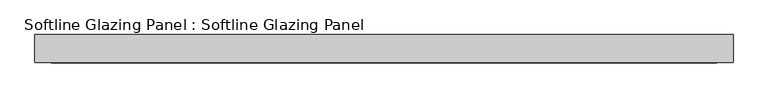
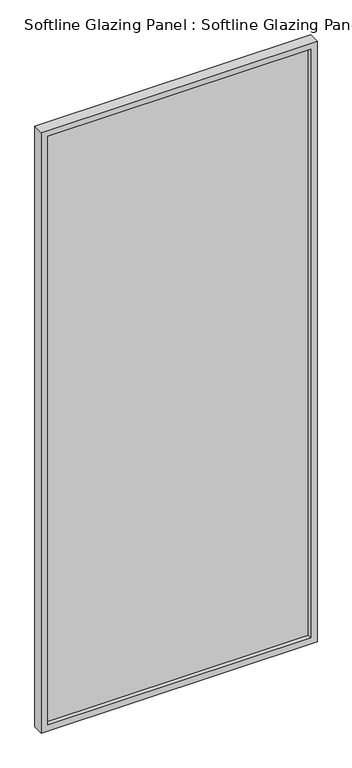
"""IFC4 building model written with IfcOpenShell, lengths in millimetres: plate geometry, Softline Glazing Panel : Softline Glazing Panel."""

import ifcopenshell
import ifcopenshell.guid

model = None  # the IFC model being written
_history = None  # IfcOwnerHistory: only IFC2X3 demands one
_inside = {}  # id of a spatial element -> (the spatial element, [elements in it])
_under = {}  # id of a project, library or spatial element -> (it, [spatial elements below it])
_declared = {}  # id of a project -> (the project, [libraries it declares])
_typed = {}  # id of a type object -> (the type object, [elements of that type])
_made_of = {}  # id of a material, layer set ... -> (it, [elements and type objects made of it])


def new_model(schema):
    """Start an empty IFC model of exactly this schema.

    Asked for "IFC4X3", IfcOpenShell would pick the latest addendum, in which some entities
    have other attributes; the version numbers below select the first issue.
    IFC2X3 requires an IfcOwnerHistory on every rooted entity: one is made here for all.
    """
    global model, _history
    if schema == "IFC4X3":
        model = ifcopenshell.file(schema_version=(4, 3, 0, 0))
    else:
        model = ifcopenshell.file(schema=schema)
    _inside.clear()
    _under.clear()
    _declared.clear()
    _typed.clear()
    _made_of.clear()
    _history = None
    if model.schema == "IFC2X3":
        org = make("IfcOrganization", Name="unknown")
        user = make(
            "IfcPersonAndOrganization",
            ThePerson=make("IfcPerson", FamilyName="unknown"),
            TheOrganization=org,
        )
        app = make(
            "IfcApplication",
            ApplicationDeveloper=org,
            Version="unknown",
            ApplicationFullName="unknown",
            ApplicationIdentifier="unknown",
        )
        _history = make(
            "IfcOwnerHistory",
            OwningUser=user,
            OwningApplication=app,
            ChangeAction="ADDED",
            CreationDate=0,
        )
    return model


def make(cls, **values):
    """One entity of the class cls with the attributes given. An attribute that is None is left unset."""
    return model.create_entity(
        cls, **{name: value for name, value in values.items() if value is not None}
    )


def rooted(cls, **values):
    """An entity with a GlobalId (a new one), such as an element, a storey or a relation."""
    return make(cls, GlobalId=ifcopenshell.guid.new(), OwnerHistory=_history, **values)


def si_unit(unit_type, name, prefix=None):
    """IfcSIUnit, for example si_unit("LENGTHUNIT", "METRE", prefix="MILLI")."""
    return make("IfcSIUnit", UnitType=unit_type, Prefix=prefix, Name=name)


def assignment(units):
    """IfcUnitAssignment: the units of a project."""
    return None if units is None else make("IfcUnitAssignment", Units=units)


def point(xyz):
    """IfcCartesianPoint."""
    return None if xyz is None else make("IfcCartesianPoint", Coordinates=xyz)


def direction(xyz):
    """IfcDirection."""
    return None if xyz is None else make("IfcDirection", DirectionRatios=xyz)


def frame(location, z_axis=None, x_axis=None):
    """IfcAxis2Placement3D, a coordinate frame: its origin and axes. An axis left out is left unset."""
    return make(
        "IfcAxis2Placement3D",
        Location=point(location),
        Axis=direction(z_axis),
        RefDirection=direction(x_axis),
    )


def origin():
    """The frame at (0, 0, 0) with its axes left unset."""
    return frame((0.0, 0.0, 0.0))


def place(relative_to, where):
    """IfcLocalPlacement: puts the frame where relative to a parent placement (None: the world)."""
    return make(
        "IfcLocalPlacement", PlacementRelTo=relative_to, RelativePlacement=where
    )


def context(
    kind, dimensions, precision=None, world=None, true_north=None, identifier=None
):
    """IfcGeometricRepresentationContext, for example the 3D "Model" context."""
    return make(
        "IfcGeometricRepresentationContext",
        ContextIdentifier=identifier,
        ContextType=kind,
        CoordinateSpaceDimension=dimensions,
        Precision=precision,
        WorldCoordinateSystem=world,
        TrueNorth=true_north,
    )


def project(units=None, contexts=None):
    """IfcProject with its units and contexts."""
    return rooted(
        "IfcProject",
        Name="project",
        RepresentationContexts=contexts,
        UnitsInContext=assignment(units),
    )


def spatial(cls, under=None, at=None, **own):
    """A site, building, storey or space (cls), placed at a placement, below another one or the project."""
    s = rooted(cls, ObjectPlacement=at, **own)
    if under is not None:
        _under.setdefault(under.id(), (under, []))[1].append(s)
    return s


def polyline(points):
    """IfcPolyline through the points."""
    return make("IfcPolyline", Points=[point(p) for p in points])


def outline(outer, holes=None, kind="AREA"):
    """IfcArbitraryClosedProfileDef: a profile drawn as a closed curve; with holes, ...WithVoids."""
    if holes is None:
        return make("IfcArbitraryClosedProfileDef", ProfileType=kind, OuterCurve=outer)
    return make(
        "IfcArbitraryProfileDefWithVoids",
        ProfileType=kind,
        OuterCurve=outer,
        InnerCurves=holes,
    )


def extrude(swept, where, along, depth):
    """IfcExtrudedAreaSolid: the profile swept, set in the frame where, extruded along a direction by depth."""
    return make(
        "IfcExtrudedAreaSolid",
        SweptArea=swept,
        Position=where,
        ExtrudedDirection=direction(along),
        Depth=depth,
    )


def faces_of(points, faces, orient=None, outer=None):
    """IfcFace entities. A face is a list of loops; a loop is a list of indices into points, from 0.

    orient and outer hold one flag for each loop. By default every Orientation is true, the
    first loop of a face is its IfcFaceOuterBound and the others are IfcFaceBound.
    """
    made = []
    for i, loops in enumerate(faces):
        bounds = []
        for j, loop in enumerate(loops):
            is_outer = j == 0 if outer is None else outer[i][j]
            bounds.append(
                make(
                    "IfcFaceOuterBound" if is_outer else "IfcFaceBound",
                    Bound=make("IfcPolyLoop", Polygon=[points[k] for k in loop]),
                    Orientation=True if orient is None else orient[i][j],
                )
            )
        made.append(make("IfcFace", Bounds=bounds))
    return made


def faceted_brep(points, faces, orient=None, outer=None, voids=None):
    """IfcFacetedBrep: a solid bounded by flat faces; with voids (closed shells), ...WithVoids."""
    shared = [point(p) for p in points]
    hull = make("IfcClosedShell", CfsFaces=faces_of(shared, faces, orient, outer))
    if voids is None:
        return make("IfcFacetedBrep", Outer=hull)
    return make(
        "IfcFacetedBrepWithVoids",
        Outer=hull,
        Voids=[
            make(cls, CfsFaces=faces_of(shared, fs, o, b)) for cls, fs, o, b in voids
        ],
    )


def shape(context_of_items, identifier, shape_type, items):
    """IfcShapeRepresentation: the items that make up one representation, for example the "Body"."""
    return make(
        "IfcShapeRepresentation",
        ContextOfItems=context_of_items,
        RepresentationIdentifier=identifier,
        RepresentationType=shape_type,
        Items=items,
    )


def source(mapping_origin, context_of_items, identifier, shape_type, items):
    """IfcRepresentationMap: a shape defined once, which mapped items show again and again."""
    return make(
        "IfcRepresentationMap",
        MappingOrigin=mapping_origin,
        MappedRepresentation=shape(context_of_items, identifier, shape_type, items),
    )


def transform(
    local_origin,
    x_axis=None,
    y_axis=None,
    z_axis=None,
    scale=None,
    scale2=None,
    scale3=None,
    uniform=True,
):
    """IfcCartesianTransformationOperator3D, or its non-uniform kind. x_axis, y_axis, z_axis: its Axis1, 2, 3."""
    if uniform:
        return make(
            "IfcCartesianTransformationOperator3D",
            Axis1=direction(x_axis),
            Axis2=direction(y_axis),
            LocalOrigin=point(local_origin),
            Scale=scale,
            Axis3=direction(z_axis),
        )
    return make(
        "IfcCartesianTransformationOperator3DnonUniform",
        Axis1=direction(x_axis),
        Axis2=direction(y_axis),
        LocalOrigin=point(local_origin),
        Scale=scale,
        Axis3=direction(z_axis),
        Scale2=scale2,
        Scale3=scale3,
    )


def mapped(mapping_source, mapping_target):
    """IfcMappedItem: shows the shape of a source again, moved by a transform."""
    return make(
        "IfcMappedItem", MappingSource=mapping_source, MappingTarget=mapping_target
    )


def made_of(thing, what):
    """Note that an element or type object is made of a material, layer set ...; save() writes the relation."""
    if what is not None:
        _made_of.setdefault(what.id(), (what, []))[1].append(thing)
    return thing


def element(
    cls,
    number,
    at=None,
    inside=None,
    cuts=None,
    type_object=None,
    material=None,
    context=None,
    identifier="Body",
    shape_type=None,
    held_by="IfcProductDefinitionShape",
    body=None,
    shapes=None,
    **own,
):
    """One element of the class cls, such as IfcWall. Its Tag is "e" and its number.

    at: its placement. inside: the storey or other place that contains it. cuts: it is an
    opening in that element (IfcRelVoidsElement). A single representation is given by context,
    identifier, shape_type and body (its items); several are given by shapes. held_by: the class
    of the entity that holds the representations. save() writes the other relations.
    """
    e = rooted(cls, Tag="e%d" % number, ObjectPlacement=at, **own)
    if body is not None:
        shapes = [shape(context, identifier, shape_type, body)]
    if shapes is not None:
        e.Representation = make(held_by, Representations=shapes)
    if inside is not None:
        _inside.setdefault(inside.id(), (inside, []))[1].append(e)
    if cuts is not None:
        rooted(
            "IfcRelVoidsElement", RelatingBuildingElement=cuts, RelatedOpeningElement=e
        )
    if type_object is not None:
        _typed.setdefault(type_object.id(), (type_object, []))[1].append(e)
    return made_of(e, material)


def aggregate(whole, parts):
    """IfcRelAggregates: a whole, such as a stair, and the parts it consists of."""
    return rooted("IfcRelAggregates", RelatingObject=whole, RelatedObjects=parts)


def save(model, path):
    """Write the relations noted so far, then the file.

    IfcRelAggregates (storeys below a building ...), IfcRelContainedInSpatialStructure (elements
    in a storey), IfcRelDefinesByType, IfcRelAssociatesMaterial and IfcRelDeclares: one each for
    every whole, place, type object, material and project.
    """
    for whole, parts in _under.values():
        aggregate(whole, parts)
    for where, things in _inside.values():
        rooted(
            "IfcRelContainedInSpatialStructure",
            RelatedElements=things,
            RelatingStructure=where,
        )
    for kind, things in _typed.values():
        rooted("IfcRelDefinesByType", RelatedObjects=things, RelatingType=kind)
    for what, things in _made_of.values():
        rooted("IfcRelAssociatesMaterial", RelatedObjects=things, RelatingMaterial=what)
    for by, libraries in _declared.values():
        rooted("IfcRelDeclares", RelatingContext=by, RelatedDefinitions=libraries)
    model.write(path)


def softline_glazing_panel_softline_glazing_panel_85d3fd26(model_context):
    return source(origin(), model_context, "Body", "SolidModel", [
        extrude(outline(polyline([(547.0, 4.0), (547.0, -4.0), (-547.0, -4.0), (-547.0, 4.0), (547.0, 4.0)])), frame((0.0, 0.0, 16.0), z_axis=(0.0, 0.0, 1.0), x_axis=(1.0, 0.0, 0.0)), (0.0, 0.0, 1.0), 2560.0),
        faceted_brep([(537.0, 4.0, 26.0), (537.0, 22.5, 26.0), (-537.0, 22.5, 26.0), (-537.0, 4.0, 26.0), (547.0, -4.0, 16.0), (547.0, 4.0, 16.0), (-547.0, 4.0, 16.0), (-547.0, -4.0, 16.0), (537.0, -22.5, 26.0), (537.0, -4.0, 26.0), (-537.0, -4.0, 26.0), (-537.0, -22.5, 26.0), (563.0, 22.5, 0.0), (563.0, -22.5, 0.0), (-563.0, -22.5, 0.0), (-563.0, 22.5, 0.0), (-537.0, 22.5, 2566.0), (-537.0, 4.0, 2566.0), (-547.0, 4.0, 2576.0), (-547.0, -4.0, 2576.0), (-537.0, -4.0, 2566.0), (-537.0, -22.5, 2566.0), (-563.0, -22.5, 2592.0), (-563.0, 22.5, 2592.0), (537.0, 22.5, 2566.0), (537.0, 4.0, 2566.0), (547.0, 4.0, 2576.0), (547.0, -4.0, 2576.0), (537.0, -4.0, 2566.0), (537.0, -22.5, 2566.0), (563.0, -22.5, 2592.0), (563.0, 22.5, 2592.0)], [[[0, 1, 2, 3]], [[4, 5, 6, 7]], [[8, 9, 10, 11]], [[12, 13, 14, 15]], [[3, 2, 16, 17]], [[7, 6, 18, 19]], [[11, 10, 20, 21]], [[15, 14, 22, 23]], [[17, 16, 24, 25]], [[19, 18, 26, 27]], [[21, 20, 28, 29]], [[23, 22, 30, 31]], [[15, 23, 31, 12], [1, 24, 16, 2]], [[25, 24, 1, 0]], [[5, 26, 18, 6], [3, 17, 25, 0]], [[27, 26, 5, 4]], [[7, 19, 27, 4], [9, 28, 20, 10]], [[29, 28, 9, 8]], [[13, 30, 22, 14], [11, 21, 29, 8]], [[31, 30, 13, 12]]]),
    ])


if __name__ == "__main__":
    model = new_model("IFC4")
    model_context = context("Model", 3, world=origin())
    ifc_project = project(units=[si_unit("LENGTHUNIT", "METRE", prefix="MILLI")], contexts=[model_context])
    site = spatial("IfcSite", under=ifc_project)
    building = spatial("IfcBuilding", under=site)
    placement = place(None, origin())
    softline_glazing_panel_softline_glazing_panel_shape = softline_glazing_panel_softline_glazing_panel_85d3fd26(model_context)
    element("IfcPlate", 1, ObjectType="Softline Glazing Panel : Softline Glazing Panel", at=placement, inside=building, context=model_context, shape_type="MappedRepresentation", body=[
        mapped(softline_glazing_panel_softline_glazing_panel_shape, transform((0.0, 0.0, 0.0), x_axis=(1.0, 0.0, 0.0), y_axis=(0.0, 1.0, 0.0), z_axis=(0.0, 0.0, 1.0))),
    ])
    save(model, "model.ifc")
